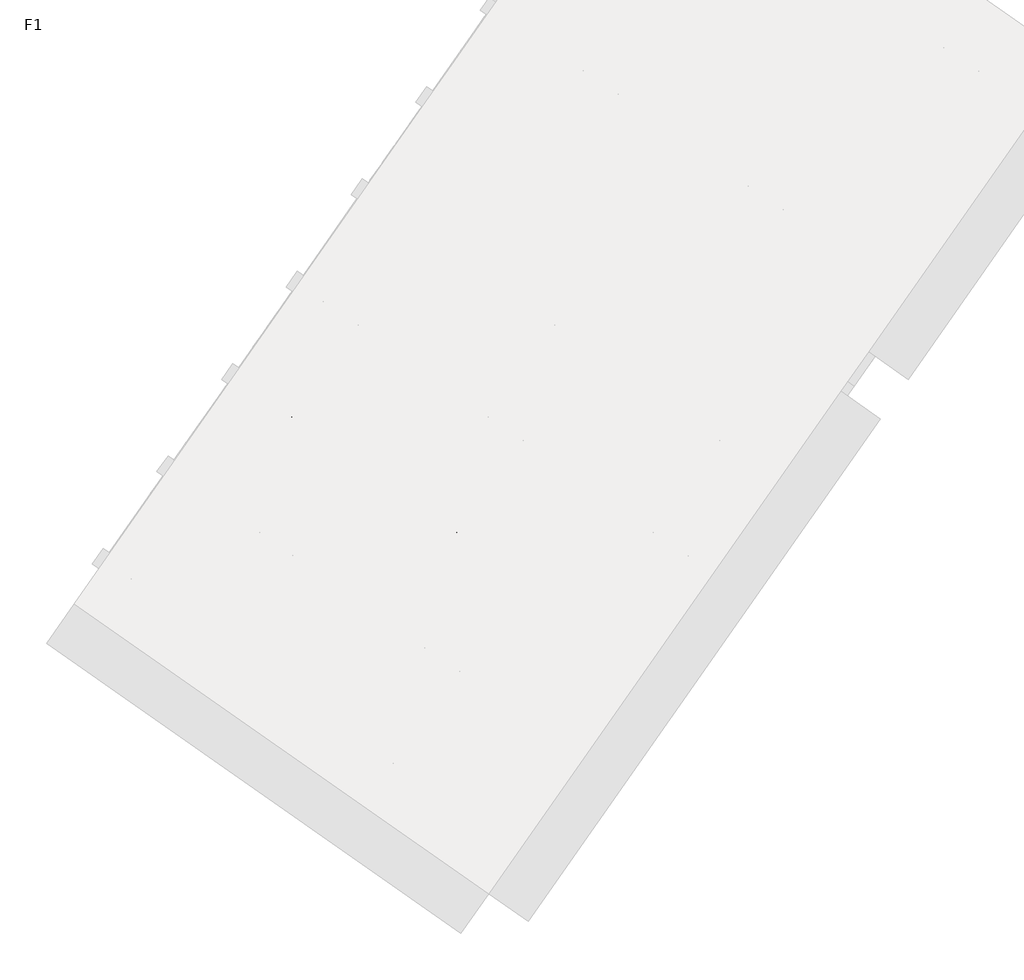
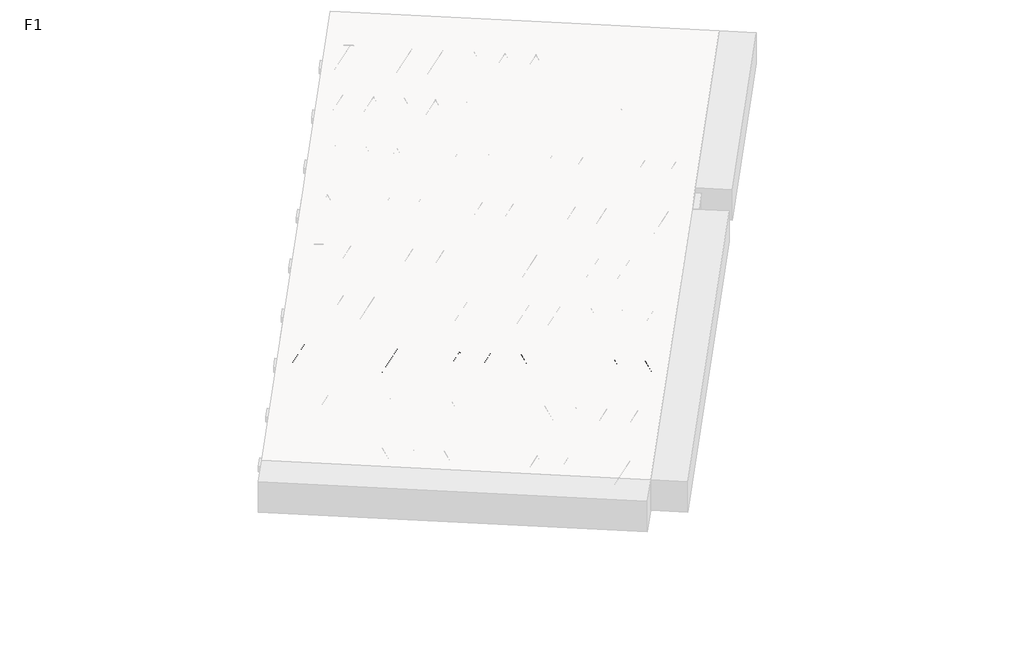
# One storey, part 5 of 30: 1 beam.
"""IFC4 building model written with IfcOpenShell, lengths in millimetres."""

from ifc_helpers import new_model, si_unit, point, frame, origin, origin_2d, place, context, project, spatial, circle_curve, trimmed, segment, composite_curve, outline, extrude, element, save

model = new_model("IFC4")

# Units and contexts
model_context = context("Model", 3, world=origin())
ifc_project = project(units=[si_unit("LENGTHUNIT", "METRE", prefix="MILLI")], contexts=[model_context])

# Site, building, storey
site = spatial("IfcSite", under=ifc_project)
building = spatial("IfcBuilding", under=site)
storey = spatial("IfcBuildingStorey", under=building, Name="F1", Elevation=99520.0)

# Beam
placement = place(None, origin())
element("IfcBeam", 1, at=placement, inside=storey, context=model_context, shape_type="SweptSolid", body=[
    extrude(outline(composite_curve([segment(trimmed(circle_curve(origin_2d(), 2.5), [point((-2.5, 0.0))], [point((2.5000001, 0.0))], False, "CARTESIAN"), True, "CONTINUOUS"), segment(trimmed(circle_curve(origin_2d(), 2.5), [point((2.5000001, 0.0))], [point((-2.5, 0.0))], False, "CARTESIAN"), True, "CONTINUOUS")], self_intersect=False)), frame((7872.1704579, -4518.0980767, 99745.0), z_axis=(-0.8191520442696126, 0.5735764363787226, 0.0), x_axis=(0.5735764363787226, 0.8191520442696126, 0.0)), (0.0, 0.0, 1.0), 3192.0),
    extrude(outline(composite_curve([segment(trimmed(circle_curve(origin_2d(), 2.5), [point((-2.5, 0.0))], [point((2.5, 0.0))], False, "CARTESIAN"), True, "CONTINUOUS"), segment(trimmed(circle_curve(origin_2d(), 2.5), [point((2.5, 0.0))], [point((-2.5, 0.0))], False, "CARTESIAN"), True, "CONTINUOUS")], self_intersect=False)), frame((7752.74421, -4390.5270324, 99970.0), z_axis=(-0.8191520442696126, 0.5735764363787226, 0.0), x_axis=(0.5735764363787226, 0.8191520442696126, 0.0)), (0.0, 0.0, 1.0), 2850.0),
    extrude(outline(composite_curve([segment(trimmed(circle_curve(origin_2d(), 2.5), [point((-2.5, 0.0))], [point((2.5000001, 0.0))], False, "CARTESIAN"), True, "CONTINUOUS"), segment(trimmed(circle_curve(origin_2d(), 2.5), [point((2.5000001, 0.0))], [point((-2.5, 0.0))], False, "CARTESIAN"), True, "CONTINUOUS")], self_intersect=False)), frame((7793.5318616, -4463.0347388, 99745.0), z_axis=(-0.3145304735701046, 0.38933448886848654, 0.8657304643902053), x_axis=(0.7778747638402499, 0.6284193279813057, 0.0)), (0.0, 0.0, 1.0), 259.8961331),
    extrude(outline(composite_curve([segment(trimmed(circle_curve(origin_2d(), 2.5), [point((2.5, 0.0))], [point((-2.5, 0.0))], False, "CARTESIAN"), True, "CONTINUOUS"), segment(trimmed(circle_curve(origin_2d(), 2.5), [point((-2.5, 0.0))], [point((2.5, 0.0))], False, "CARTESIAN"), True, "CONTINUOUS")], self_intersect=False)), frame((7588.7438506, -4319.6406297, 99745.0), z_axis=(0.47343050384693375, -0.16240172737369005, 0.8657304643902051), x_axis=(-0.3244721671091268, -0.9458952440791246, 0.0)), (0.0, 0.0, 1.0), 259.8961331),
    extrude(outline(composite_curve([segment(trimmed(circle_curve(origin_2d(), 2.5), [point((-2.5, 0.0))], [point((2.5, 1e-07))], False, "CARTESIAN"), True, "CONTINUOUS"), segment(trimmed(circle_curve(origin_2d(), 2.5), [point((2.5, 1e-07))], [point((-2.5, 0.0))], False, "CARTESIAN"), True, "CONTINUOUS")], self_intersect=False)), frame((7588.7438506, -4319.6406297, 99745.0), z_axis=(-0.3145304735701046, 0.38933448886848654, 0.8657304643902053), x_axis=(0.7778747638402499, 0.6284193279813057, 0.0)), (0.0, 0.0, 1.0), 259.8961331),
    extrude(outline(composite_curve([segment(trimmed(circle_curve(origin_2d(), 2.5), [point((2.5, 0.0))], [point((-2.5, 0.0))], False, "CARTESIAN"), True, "CONTINUOUS"), segment(trimmed(circle_curve(origin_2d(), 2.5), [point((-2.5, 0.0))], [point((2.5, 0.0))], False, "CARTESIAN"), True, "CONTINUOUS")], self_intersect=False)), frame((7383.9558395, -4176.2465206, 99745.0), z_axis=(0.47343050384693375, -0.16240172737369005, 0.8657304643902051), x_axis=(-0.3244721671091268, -0.9458952440791246, 0.0)), (0.0, 0.0, 1.0), 259.8961331),
    extrude(outline(composite_curve([segment(trimmed(circle_curve(origin_2d(), 2.5), [point((-2.5, 0.0))], [point((2.5, 0.0))], False, "CARTESIAN"), True, "CONTINUOUS"), segment(trimmed(circle_curve(origin_2d(), 2.5), [point((2.5, 0.0))], [point((-2.5, 0.0))], False, "CARTESIAN"), True, "CONTINUOUS")], self_intersect=False)), frame((7383.9558395, -4176.2465206, 99745.0), z_axis=(-0.3145304735701046, 0.38933448886848654, 0.8657304643902053), x_axis=(0.7778747638402499, 0.6284193279813057, 0.0)), (0.0, 0.0, 1.0), 259.8961331),
    extrude(outline(composite_curve([segment(trimmed(circle_curve(origin_2d(), 2.5), [point((2.5, 0.0))], [point((-2.5, 1e-07))], False, "CARTESIAN"), True, "CONTINUOUS"), segment(trimmed(circle_curve(origin_2d(), 2.5), [point((-2.5, 1e-07))], [point((2.5, 0.0))], False, "CARTESIAN"), True, "CONTINUOUS")], self_intersect=False)), frame((7179.1678284, -4032.8524115, 99745.0), z_axis=(0.47343050384693375, -0.16240172737369005, 0.8657304643902051), x_axis=(-0.3244721671091268, -0.9458952440791246, 0.0)), (0.0, 0.0, 1.0), 259.8961331),
    extrude(outline(composite_curve([segment(trimmed(circle_curve(origin_2d(), 2.5), [point((-2.5, 0.0))], [point((2.5, 0.0))], False, "CARTESIAN"), True, "CONTINUOUS"), segment(trimmed(circle_curve(origin_2d(), 2.5), [point((2.5, 0.0))], [point((-2.5, 0.0))], False, "CARTESIAN"), True, "CONTINUOUS")], self_intersect=False)), frame((7179.1678284, -4032.8524115, 99745.0), z_axis=(-0.3145304735701046, 0.38933448886848654, 0.8657304643902053), x_axis=(0.7778747638402499, 0.6284193279813057, 0.0)), (0.0, 0.0, 1.0), 259.8961331),
    extrude(outline(composite_curve([segment(trimmed(circle_curve(origin_2d(), 2.5), [point((2.5, 0.0))], [point((-2.5, 0.0))], False, "CARTESIAN"), True, "CONTINUOUS"), segment(trimmed(circle_curve(origin_2d(), 2.5), [point((-2.5, 0.0))], [point((2.5, 0.0))], False, "CARTESIAN"), True, "CONTINUOUS")], self_intersect=False)), frame((6974.3798174, -3889.4583024, 99745.0), z_axis=(0.47343050384693375, -0.16240172737369005, 0.8657304643902051), x_axis=(-0.3244721671091268, -0.9458952440791246, 0.0)), (0.0, 0.0, 1.0), 259.8961331),
    extrude(outline(composite_curve([segment(trimmed(circle_curve(origin_2d(), 2.5), [point((-2.5, 0.0))], [point((2.5, 0.0))], False, "CARTESIAN"), True, "CONTINUOUS"), segment(trimmed(circle_curve(origin_2d(), 2.5), [point((2.5, 0.0))], [point((-2.5, 0.0))], False, "CARTESIAN"), True, "CONTINUOUS")], self_intersect=False)), frame((6974.3798174, -3889.4583024, 99745.0), z_axis=(-0.3145304735701046, 0.38933448886848654, 0.8657304643902053), x_axis=(0.7778747638402499, 0.6284193279813057, 0.0)), (0.0, 0.0, 1.0), 259.8961331),
    extrude(outline(composite_curve([segment(trimmed(circle_curve(origin_2d(), 2.5), [point((2.5, 0.0))], [point((-2.5, 0.0))], False, "CARTESIAN"), True, "CONTINUOUS"), segment(trimmed(circle_curve(origin_2d(), 2.5), [point((-2.5, 0.0))], [point((2.5, 0.0))], False, "CARTESIAN"), True, "CONTINUOUS")], self_intersect=False)), frame((6769.5918063, -3746.0641933, 99745.0), z_axis=(0.47343050384693375, -0.16240172737369005, 0.8657304643902051), x_axis=(-0.3244721671091268, -0.9458952440791246, 0.0)), (0.0, 0.0, 1.0), 259.8961331),
    extrude(outline(composite_curve([segment(trimmed(circle_curve(origin_2d(), 2.5), [point((-2.5, 0.0))], [point((2.5, 0.0))], False, "CARTESIAN"), True, "CONTINUOUS"), segment(trimmed(circle_curve(origin_2d(), 2.5), [point((2.5, 0.0))], [point((-2.5, 0.0))], False, "CARTESIAN"), True, "CONTINUOUS")], self_intersect=False)), frame((6769.5918063, -3746.0641933, 99745.0), z_axis=(-0.3145304735701046, 0.38933448886848654, 0.8657304643902053), x_axis=(0.7778747638402499, 0.6284193279813057, 0.0)), (0.0, 0.0, 1.0), 259.8961331),
    extrude(outline(composite_curve([segment(trimmed(circle_curve(origin_2d(), 2.5), [point((2.5, 0.0))], [point((-2.5, 1e-07))], False, "CARTESIAN"), True, "CONTINUOUS"), segment(trimmed(circle_curve(origin_2d(), 2.5), [point((-2.5, 1e-07))], [point((2.5, 0.0))], False, "CARTESIAN"), True, "CONTINUOUS")], self_intersect=False)), frame((6564.8037952, -3602.6700842, 99745.0), z_axis=(0.47343050384693375, -0.16240172737369005, 0.8657304643902051), x_axis=(-0.3244721671091268, -0.9458952440791246, 0.0)), (0.0, 0.0, 1.0), 259.8961331),
    extrude(outline(composite_curve([segment(trimmed(circle_curve(origin_2d(), 2.5), [point((-2.5, 0.0))], [point((2.5, 0.0))], False, "CARTESIAN"), True, "CONTINUOUS"), segment(trimmed(circle_curve(origin_2d(), 2.5), [point((2.5, 0.0))], [point((-2.5, 0.0))], False, "CARTESIAN"), True, "CONTINUOUS")], self_intersect=False)), frame((6564.8037952, -3602.6700842, 99745.0), z_axis=(-0.3145304735701046, 0.38933448886848654, 0.8657304643902053), x_axis=(0.7778747638402499, 0.6284193279813057, 0.0)), (0.0, 0.0, 1.0), 259.8961331),
    extrude(outline(composite_curve([segment(trimmed(circle_curve(origin_2d(), 2.5), [point((2.5, 0.0))], [point((-2.5, 0.0))], False, "CARTESIAN"), True, "CONTINUOUS"), segment(trimmed(circle_curve(origin_2d(), 2.5), [point((-2.5, 0.0))], [point((2.5, 0.0))], False, "CARTESIAN"), True, "CONTINUOUS")], self_intersect=False)), frame((6360.0157842, -3459.2759751, 99745.0), z_axis=(0.47343050384693375, -0.16240172737369005, 0.8657304643902051), x_axis=(-0.3244721671091268, -0.9458952440791246, 0.0)), (0.0, 0.0, 1.0), 259.8961331),
    extrude(outline(composite_curve([segment(trimmed(circle_curve(origin_2d(), 2.5), [point((-2.5, 0.0))], [point((2.5, 0.0))], False, "CARTESIAN"), True, "CONTINUOUS"), segment(trimmed(circle_curve(origin_2d(), 2.5), [point((2.5, 0.0))], [point((-2.5, 0.0))], False, "CARTESIAN"), True, "CONTINUOUS")], self_intersect=False)), frame((6360.0157842, -3459.2759751, 99745.0), z_axis=(-0.3145304735701046, 0.38933448886848654, 0.8657304643902053), x_axis=(0.7778747638402499, 0.6284193279813057, 0.0)), (0.0, 0.0, 1.0), 259.8961331),
    extrude(outline(composite_curve([segment(trimmed(circle_curve(origin_2d(), 2.5), [point((2.5, 0.0))], [point((-2.5, 0.0))], False, "CARTESIAN"), True, "CONTINUOUS"), segment(trimmed(circle_curve(origin_2d(), 2.5), [point((-2.5, 0.0))], [point((2.5, 0.0))], False, "CARTESIAN"), True, "CONTINUOUS")], self_intersect=False)), frame((6155.2277731, -3315.881866, 99745.0), z_axis=(0.47343050384693375, -0.16240172737369005, 0.8657304643902051), x_axis=(-0.3244721671091268, -0.9458952440791246, 0.0)), (0.0, 0.0, 1.0), 259.8961331),
    extrude(outline(composite_curve([segment(trimmed(circle_curve(origin_2d(), 2.5), [point((-2.5, 0.0))], [point((2.5, 0.0))], False, "CARTESIAN"), True, "CONTINUOUS"), segment(trimmed(circle_curve(origin_2d(), 2.5), [point((2.5, 0.0))], [point((-2.5, 0.0))], False, "CARTESIAN"), True, "CONTINUOUS")], self_intersect=False)), frame((6155.2277731, -3315.881866, 99745.0), z_axis=(-0.3145304735701046, 0.38933448886848654, 0.8657304643902053), x_axis=(0.7778747638402499, 0.6284193279813057, 0.0)), (0.0, 0.0, 1.0), 259.8961331),
    extrude(outline(composite_curve([segment(trimmed(circle_curve(origin_2d(), 2.5), [point((2.5, 0.0))], [point((-2.5, 1e-07))], False, "CARTESIAN"), True, "CONTINUOUS"), segment(trimmed(circle_curve(origin_2d(), 2.5), [point((-2.5, 1e-07))], [point((2.5, 0.0))], False, "CARTESIAN"), True, "CONTINUOUS")], self_intersect=False)), frame((5950.439762, -3172.4877569, 99745.0), z_axis=(0.47343050384693375, -0.16240172737369005, 0.8657304643902051), x_axis=(-0.3244721671091268, -0.9458952440791246, 0.0)), (0.0, 0.0, 1.0), 259.8961331),
    extrude(outline(composite_curve([segment(trimmed(circle_curve(origin_2d(), 2.5), [point((-2.5, 0.0))], [point((2.5, 0.0))], False, "CARTESIAN"), True, "CONTINUOUS"), segment(trimmed(circle_curve(origin_2d(), 2.5), [point((2.5, 0.0))], [point((-2.5, 0.0))], False, "CARTESIAN"), True, "CONTINUOUS")], self_intersect=False)), frame((5950.439762, -3172.4877569, 99745.0), z_axis=(-0.3145304735701046, 0.38933448886848654, 0.8657304643902053), x_axis=(0.7778747638402499, 0.6284193279813057, 0.0)), (0.0, 0.0, 1.0), 259.8961331),
    extrude(outline(composite_curve([segment(trimmed(circle_curve(origin_2d(), 2.5), [point((2.5, 0.0))], [point((-2.5, 0.0))], False, "CARTESIAN"), True, "CONTINUOUS"), segment(trimmed(circle_curve(origin_2d(), 2.5), [point((-2.5, 0.0))], [point((2.5, 0.0))], False, "CARTESIAN"), True, "CONTINUOUS")], self_intersect=False)), frame((5745.651751, -3029.0936478, 99745.0), z_axis=(0.47343050384693375, -0.16240172737369005, 0.8657304643902051), x_axis=(-0.3244721671091268, -0.9458952440791246, 0.0)), (0.0, 0.0, 1.0), 259.8961331),
    extrude(outline(composite_curve([segment(trimmed(circle_curve(origin_2d(), 2.5), [point((-2.5, 0.0))], [point((2.5, 0.0))], False, "CARTESIAN"), True, "CONTINUOUS"), segment(trimmed(circle_curve(origin_2d(), 2.5), [point((2.5, 0.0))], [point((-2.5, 0.0))], False, "CARTESIAN"), True, "CONTINUOUS")], self_intersect=False)), frame((5745.651751, -3029.0936478, 99745.0), z_axis=(-0.3145304735701046, 0.38933448886848654, 0.8657304643902053), x_axis=(0.7778747638402499, 0.6284193279813057, 0.0)), (0.0, 0.0, 1.0), 259.8961331),
    extrude(outline(composite_curve([segment(trimmed(circle_curve(origin_2d(), 2.5), [point((2.5, 0.0))], [point((-2.5, 0.0))], False, "CARTESIAN"), True, "CONTINUOUS"), segment(trimmed(circle_curve(origin_2d(), 2.5), [point((-2.5, 0.0))], [point((2.5, 0.0))], False, "CARTESIAN"), True, "CONTINUOUS")], self_intersect=False)), frame((5540.8637399, -2885.6995387, 99745.0), z_axis=(0.47343050384693375, -0.16240172737369005, 0.8657304643902051), x_axis=(-0.3244721671091268, -0.9458952440791246, 0.0)), (0.0, 0.0, 1.0), 259.8961331),
    extrude(outline(composite_curve([segment(trimmed(circle_curve(origin_2d(), 2.5), [point((-2.5, 0.0))], [point((2.5, 0.0))], False, "CARTESIAN"), True, "CONTINUOUS"), segment(trimmed(circle_curve(origin_2d(), 2.5), [point((2.5, 0.0))], [point((-2.5, 0.0))], False, "CARTESIAN"), True, "CONTINUOUS")], self_intersect=False)), frame((5540.8637399, -2885.6995387, 99745.0), z_axis=(-0.3145304735701046, 0.38933448886848654, 0.8657304643902053), x_axis=(0.7778747638402499, 0.6284193279813057, 0.0)), (0.0, 0.0, 1.0), 259.8961331),
    extrude(outline(composite_curve([segment(trimmed(circle_curve(origin_2d(), 2.5), [point((2.5, 0.0))], [point((-2.5, 1e-07))], False, "CARTESIAN"), True, "CONTINUOUS"), segment(trimmed(circle_curve(origin_2d(), 2.5), [point((-2.5, 1e-07))], [point((2.5, 0.0))], False, "CARTESIAN"), True, "CONTINUOUS")], self_intersect=False)), frame((5336.0757288, -2742.3054296, 99745.0), z_axis=(0.47343050384693375, -0.16240172737369005, 0.8657304643902051), x_axis=(-0.3244721671091268, -0.9458952440791246, 0.0)), (0.0, 0.0, 1.0), 259.8961331),
    extrude(outline(composite_curve([segment(trimmed(circle_curve(origin_2d(), 2.5), [point((-2.5, 0.0))], [point((2.5, 0.0))], False, "CARTESIAN"), True, "CONTINUOUS"), segment(trimmed(circle_curve(origin_2d(), 2.5), [point((2.5, 0.0))], [point((-2.5, 0.0))], False, "CARTESIAN"), True, "CONTINUOUS")], self_intersect=False)), frame((7913.4679613, -4459.1191295, 99745.0), z_axis=(-0.8191520442696126, 0.5735764363787226, 0.0), x_axis=(0.5735764363787226, 0.8191520442696126, 0.0)), (0.0, 0.0, 1.0), 3192.0),
    extrude(outline(composite_curve([segment(trimmed(circle_curve(origin_2d(), 2.5), [point((-2.5, 1e-07))], [point((2.5, 0.0))], False, "CARTESIAN"), True, "CONTINUOUS"), segment(trimmed(circle_curve(origin_2d(), 2.5), [point((2.5, 0.0))], [point((-2.5, 1e-07))], False, "CARTESIAN"), True, "CONTINUOUS")], self_intersect=False)), frame((7834.8293651, -4404.0557916, 99745.0), z_axis=(-0.47343050384693375, 0.16240172737369005, 0.8657304643902051), x_axis=(0.3244721671091268, 0.9458952440791246, 0.0)), (0.0, 0.0, 1.0), 259.8961331),
    extrude(outline(composite_curve([segment(trimmed(circle_curve(origin_2d(), 2.5), [point((2.5, 0.0))], [point((-2.5, 0.0))], False, "CARTESIAN"), True, "CONTINUOUS"), segment(trimmed(circle_curve(origin_2d(), 2.5), [point((-2.5, 0.0))], [point((2.5, 0.0))], False, "CARTESIAN"), True, "CONTINUOUS")], self_intersect=False)), frame((7630.041354, -4260.6616825, 99745.0), z_axis=(0.3145304735701046, -0.38933448886848654, 0.8657304643902053), x_axis=(-0.7778747638402499, -0.6284193279813057, 0.0)), (0.0, 0.0, 1.0), 259.8961331),
    extrude(outline(composite_curve([segment(trimmed(circle_curve(origin_2d(), 2.5), [point((-2.5, 0.0))], [point((2.5, 0.0))], False, "CARTESIAN"), True, "CONTINUOUS"), segment(trimmed(circle_curve(origin_2d(), 2.5), [point((2.5, 0.0))], [point((-2.5, 0.0))], False, "CARTESIAN"), True, "CONTINUOUS")], self_intersect=False)), frame((7630.041354, -4260.6616825, 99745.0), z_axis=(-0.47343050384693375, 0.16240172737369005, 0.8657304643902051), x_axis=(0.3244721671091268, 0.9458952440791246, 0.0)), (0.0, 0.0, 1.0), 259.8961331),
    extrude(outline(composite_curve([segment(trimmed(circle_curve(origin_2d(), 2.5), [point((2.5, 0.0))], [point((-2.5, 0.0))], False, "CARTESIAN"), True, "CONTINUOUS"), segment(trimmed(circle_curve(origin_2d(), 2.5), [point((-2.5, 0.0))], [point((2.5, 0.0))], False, "CARTESIAN"), True, "CONTINUOUS")], self_intersect=False)), frame((7425.2533429, -4117.2675734, 99745.0), z_axis=(0.3145304735701046, -0.38933448886848654, 0.8657304643902053), x_axis=(-0.7778747638402499, -0.6284193279813057, 0.0)), (0.0, 0.0, 1.0), 259.8961331),
    extrude(outline(composite_curve([segment(trimmed(circle_curve(origin_2d(), 2.5), [point((-2.5, 0.0))], [point((2.5, 0.0))], False, "CARTESIAN"), True, "CONTINUOUS"), segment(trimmed(circle_curve(origin_2d(), 2.5), [point((2.5, 0.0))], [point((-2.5, 0.0))], False, "CARTESIAN"), True, "CONTINUOUS")], self_intersect=False)), frame((7425.2533429, -4117.2675734, 99745.0), z_axis=(-0.47343050384693375, 0.16240172737369005, 0.8657304643902051), x_axis=(0.3244721671091268, 0.9458952440791246, 0.0)), (0.0, 0.0, 1.0), 259.8961331),
    extrude(outline(composite_curve([segment(trimmed(circle_curve(origin_2d(), 2.5), [point((2.5000001, -1e-07))], [point((-2.5, 0.0))], False, "CARTESIAN"), True, "CONTINUOUS"), segment(trimmed(circle_curve(origin_2d(), 2.5), [point((-2.5, 0.0))], [point((2.5000001, -1e-07))], False, "CARTESIAN"), True, "CONTINUOUS")], self_intersect=False)), frame((7220.4653319, -3973.8734643, 99745.0), z_axis=(0.3145304735701046, -0.38933448886848654, 0.8657304643902053), x_axis=(-0.7778747638402499, -0.6284193279813057, 0.0)), (0.0, 0.0, 1.0), 259.8961331),
    extrude(outline(composite_curve([segment(trimmed(circle_curve(origin_2d(), 2.5), [point((-2.5, 1e-07))], [point((2.5, 0.0))], False, "CARTESIAN"), True, "CONTINUOUS"), segment(trimmed(circle_curve(origin_2d(), 2.5), [point((2.5, 0.0))], [point((-2.5, 1e-07))], False, "CARTESIAN"), True, "CONTINUOUS")], self_intersect=False)), frame((7220.4653319, -3973.8734643, 99745.0), z_axis=(-0.47343050384693375, 0.16240172737369005, 0.8657304643902051), x_axis=(0.3244721671091268, 0.9458952440791246, 0.0)), (0.0, 0.0, 1.0), 259.8961331),
    extrude(outline(composite_curve([segment(trimmed(circle_curve(origin_2d(), 2.5), [point((2.5, 0.0))], [point((-2.5, 0.0))], False, "CARTESIAN"), True, "CONTINUOUS"), segment(trimmed(circle_curve(origin_2d(), 2.5), [point((-2.5, 0.0))], [point((2.5, 0.0))], False, "CARTESIAN"), True, "CONTINUOUS")], self_intersect=False)), frame((7015.6773208, -3830.4793552, 99745.0), z_axis=(0.3145304735701046, -0.38933448886848654, 0.8657304643902053), x_axis=(-0.7778747638402499, -0.6284193279813057, 0.0)), (0.0, 0.0, 1.0), 259.8961331),
    extrude(outline(composite_curve([segment(trimmed(circle_curve(origin_2d(), 2.5), [point((-2.5, 0.0))], [point((2.5, 0.0))], False, "CARTESIAN"), True, "CONTINUOUS"), segment(trimmed(circle_curve(origin_2d(), 2.5), [point((2.5, 0.0))], [point((-2.5, 0.0))], False, "CARTESIAN"), True, "CONTINUOUS")], self_intersect=False)), frame((7015.6773208, -3830.4793552, 99745.0), z_axis=(-0.47343050384693375, 0.16240172737369005, 0.8657304643902051), x_axis=(0.3244721671091268, 0.9458952440791246, 0.0)), (0.0, 0.0, 1.0), 259.8961331),
    extrude(outline(composite_curve([segment(trimmed(circle_curve(origin_2d(), 2.5), [point((2.5, 0.0))], [point((-2.5, 0.0))], False, "CARTESIAN"), True, "CONTINUOUS"), segment(trimmed(circle_curve(origin_2d(), 2.5), [point((-2.5, 0.0))], [point((2.5, 0.0))], False, "CARTESIAN"), True, "CONTINUOUS")], self_intersect=False)), frame((6810.8893097, -3687.0852461, 99745.0), z_axis=(0.3145304735701046, -0.38933448886848654, 0.8657304643902053), x_axis=(-0.7778747638402499, -0.6284193279813057, 0.0)), (0.0, 0.0, 1.0), 259.8961331),
    extrude(outline(composite_curve([segment(trimmed(circle_curve(origin_2d(), 2.5), [point((-2.5, 0.0))], [point((2.5, 0.0))], False, "CARTESIAN"), True, "CONTINUOUS"), segment(trimmed(circle_curve(origin_2d(), 2.5), [point((2.5, 0.0))], [point((-2.5, 0.0))], False, "CARTESIAN"), True, "CONTINUOUS")], self_intersect=False)), frame((6810.8893097, -3687.0852461, 99745.0), z_axis=(-0.47343050384693375, 0.16240172737369005, 0.8657304643902051), x_axis=(0.3244721671091268, 0.9458952440791246, 0.0)), (0.0, 0.0, 1.0), 259.8961331),
    extrude(outline(composite_curve([segment(trimmed(circle_curve(origin_2d(), 2.5), [point((2.5000001, -1e-07))], [point((-2.5, 0.0))], False, "CARTESIAN"), True, "CONTINUOUS"), segment(trimmed(circle_curve(origin_2d(), 2.5), [point((-2.5, 0.0))], [point((2.5000001, -1e-07))], False, "CARTESIAN"), True, "CONTINUOUS")], self_intersect=False)), frame((6606.1012987, -3543.691137, 99745.0), z_axis=(0.3145304735701046, -0.38933448886848654, 0.8657304643902053), x_axis=(-0.7778747638402499, -0.6284193279813057, 0.0)), (0.0, 0.0, 1.0), 259.8961331),
    extrude(outline(composite_curve([segment(trimmed(circle_curve(origin_2d(), 2.5), [point((-2.5, 1e-07))], [point((2.5, 0.0))], False, "CARTESIAN"), True, "CONTINUOUS"), segment(trimmed(circle_curve(origin_2d(), 2.5), [point((2.5, 0.0))], [point((-2.5, 1e-07))], False, "CARTESIAN"), True, "CONTINUOUS")], self_intersect=False)), frame((6606.1012987, -3543.691137, 99745.0), z_axis=(-0.47343050384693375, 0.16240172737369005, 0.8657304643902051), x_axis=(0.3244721671091268, 0.9458952440791246, 0.0)), (0.0, 0.0, 1.0), 259.8961331),
    extrude(outline(composite_curve([segment(trimmed(circle_curve(origin_2d(), 2.5), [point((2.5, 0.0))], [point((-2.5, 0.0))], False, "CARTESIAN"), True, "CONTINUOUS"), segment(trimmed(circle_curve(origin_2d(), 2.5), [point((-2.5, 0.0))], [point((2.5, 0.0))], False, "CARTESIAN"), True, "CONTINUOUS")], self_intersect=False)), frame((6401.3132876, -3400.2970279, 99745.0), z_axis=(0.3145304735701046, -0.38933448886848654, 0.8657304643902053), x_axis=(-0.7778747638402499, -0.6284193279813057, 0.0)), (0.0, 0.0, 1.0), 259.8961331),
    extrude(outline(composite_curve([segment(trimmed(circle_curve(origin_2d(), 2.5), [point((-2.5, 0.0))], [point((2.5, 0.0))], False, "CARTESIAN"), True, "CONTINUOUS"), segment(trimmed(circle_curve(origin_2d(), 2.5), [point((2.5, 0.0))], [point((-2.5, 0.0))], False, "CARTESIAN"), True, "CONTINUOUS")], self_intersect=False)), frame((6401.3132876, -3400.2970279, 99745.0), z_axis=(-0.47343050384693375, 0.16240172737369005, 0.8657304643902051), x_axis=(0.3244721671091268, 0.9458952440791246, 0.0)), (0.0, 0.0, 1.0), 259.8961331),
    extrude(outline(composite_curve([segment(trimmed(circle_curve(origin_2d(), 2.5), [point((2.5, 0.0))], [point((-2.5, 0.0))], False, "CARTESIAN"), True, "CONTINUOUS"), segment(trimmed(circle_curve(origin_2d(), 2.5), [point((-2.5, 0.0))], [point((2.5, 0.0))], False, "CARTESIAN"), True, "CONTINUOUS")], self_intersect=False)), frame((6196.5252765, -3256.9029188, 99745.0), z_axis=(0.3145304735701046, -0.38933448886848654, 0.8657304643902053), x_axis=(-0.7778747638402499, -0.6284193279813057, 0.0)), (0.0, 0.0, 1.0), 259.8961331),
    extrude(outline(composite_curve([segment(trimmed(circle_curve(origin_2d(), 2.5), [point((-2.5, 0.0))], [point((2.5, 0.0))], False, "CARTESIAN"), True, "CONTINUOUS"), segment(trimmed(circle_curve(origin_2d(), 2.5), [point((2.5, 0.0))], [point((-2.5, 0.0))], False, "CARTESIAN"), True, "CONTINUOUS")], self_intersect=False)), frame((6196.5252765, -3256.9029188, 99745.0), z_axis=(-0.47343050384693375, 0.16240172737369005, 0.8657304643902051), x_axis=(0.3244721671091268, 0.9458952440791246, 0.0)), (0.0, 0.0, 1.0), 259.8961331),
    extrude(outline(composite_curve([segment(trimmed(circle_curve(origin_2d(), 2.5), [point((2.5000001, -1e-07))], [point((-2.5, 0.0))], False, "CARTESIAN"), True, "CONTINUOUS"), segment(trimmed(circle_curve(origin_2d(), 2.5), [point((-2.5, 0.0))], [point((2.5000001, -1e-07))], False, "CARTESIAN"), True, "CONTINUOUS")], self_intersect=False)), frame((5991.7372655, -3113.5088097, 99745.0), z_axis=(0.3145304735701046, -0.38933448886848654, 0.8657304643902053), x_axis=(-0.7778747638402499, -0.6284193279813057, 0.0)), (0.0, 0.0, 1.0), 259.8961331),
    extrude(outline(composite_curve([segment(trimmed(circle_curve(origin_2d(), 2.5), [point((-2.5, 1e-07))], [point((2.5, 0.0))], False, "CARTESIAN"), True, "CONTINUOUS"), segment(trimmed(circle_curve(origin_2d(), 2.5), [point((2.5, 0.0))], [point((-2.5, 1e-07))], False, "CARTESIAN"), True, "CONTINUOUS")], self_intersect=False)), frame((5991.7372655, -3113.5088097, 99745.0), z_axis=(-0.47343050384693375, 0.16240172737369005, 0.8657304643902051), x_axis=(0.3244721671091268, 0.9458952440791246, 0.0)), (0.0, 0.0, 1.0), 259.8961331),
    extrude(outline(composite_curve([segment(trimmed(circle_curve(origin_2d(), 2.5), [point((2.5, 0.0))], [point((-2.5, 0.0))], False, "CARTESIAN"), True, "CONTINUOUS"), segment(trimmed(circle_curve(origin_2d(), 2.5), [point((-2.5, 0.0))], [point((2.5, 0.0))], False, "CARTESIAN"), True, "CONTINUOUS")], self_intersect=False)), frame((5786.9492544, -2970.1147006, 99745.0), z_axis=(0.3145304735701046, -0.38933448886848654, 0.8657304643902053), x_axis=(-0.7778747638402499, -0.6284193279813057, 0.0)), (0.0, 0.0, 1.0), 259.8961331),
    extrude(outline(composite_curve([segment(trimmed(circle_curve(origin_2d(), 2.5), [point((-2.5, 0.0))], [point((2.5, 0.0))], False, "CARTESIAN"), True, "CONTINUOUS"), segment(trimmed(circle_curve(origin_2d(), 2.5), [point((2.5, 0.0))], [point((-2.5, 0.0))], False, "CARTESIAN"), True, "CONTINUOUS")], self_intersect=False)), frame((5786.9492544, -2970.1147006, 99745.0), z_axis=(-0.47343050384693375, 0.16240172737369005, 0.8657304643902051), x_axis=(0.3244721671091268, 0.9458952440791246, 0.0)), (0.0, 0.0, 1.0), 259.8961331),
    extrude(outline(composite_curve([segment(trimmed(circle_curve(origin_2d(), 2.5), [point((2.5, 1e-07))], [point((-2.5, 0.0))], False, "CARTESIAN"), True, "CONTINUOUS"), segment(trimmed(circle_curve(origin_2d(), 2.5), [point((-2.5, 0.0))], [point((2.5, 1e-07))], False, "CARTESIAN"), True, "CONTINUOUS")], self_intersect=False)), frame((5582.1612433, -2826.7205915, 99745.0), z_axis=(0.3145304735701046, -0.38933448886848654, 0.8657304643902053), x_axis=(-0.7778747638402499, -0.6284193279813057, 0.0)), (0.0, 0.0, 1.0), 259.8961331),
    extrude(outline(composite_curve([segment(trimmed(circle_curve(origin_2d(), 2.5), [point((-2.5, 0.0))], [point((2.5, 0.0))], False, "CARTESIAN"), True, "CONTINUOUS"), segment(trimmed(circle_curve(origin_2d(), 2.5), [point((2.5, 0.0))], [point((-2.5, 0.0))], False, "CARTESIAN"), True, "CONTINUOUS")], self_intersect=False)), frame((5582.1612433, -2826.7205915, 99745.0), z_axis=(-0.47343050384693375, 0.16240172737369005, 0.8657304643902051), x_axis=(0.3244721671091268, 0.9458952440791246, 0.0)), (0.0, 0.0, 1.0), 259.8961331),
    extrude(outline(composite_curve([segment(trimmed(circle_curve(origin_2d(), 2.5), [point((2.5000001, 0.0))], [point((-2.5, 0.0))], False, "CARTESIAN"), True, "CONTINUOUS"), segment(trimmed(circle_curve(origin_2d(), 2.5), [point((-2.5, 0.0))], [point((2.5000001, 0.0))], False, "CARTESIAN"), True, "CONTINUOUS")], self_intersect=False)), frame((5377.3732323, -2683.3264824, 99745.0), z_axis=(0.3145304735701046, -0.38933448886848654, 0.8657304643902053), x_axis=(-0.7778747638402499, -0.6284193279813057, 0.0)), (0.0, 0.0, 1.0), 259.8961331),
])

save(model, "model.ifc")
